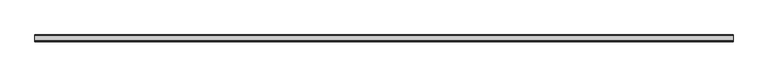
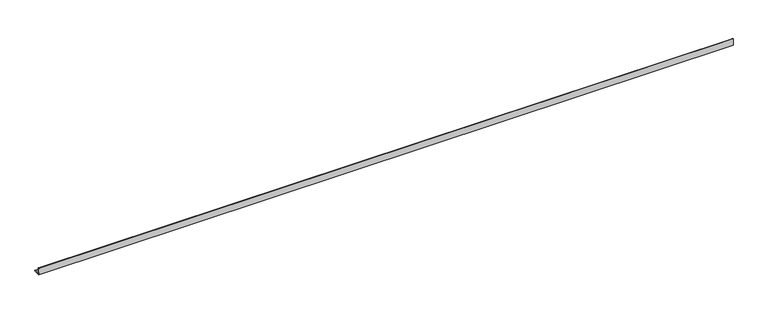
"""IFC4 building model written with IfcOpenShell, lengths in millimetres: beam geometry."""

from ifc_helpers import new_model, si_unit, point, frame, frame_2d, origin, place, context, project, spatial, polyline, circle_curve, trimmed, segment, composite_curve, outline, extrude, source, transform, mapped, element, save


def beam_c82ed76b(model_context):
    return source(origin(), model_context, "Body", "SweptSolid", [
        extrude(outline(composite_curve([segment(polyline([(-21.3, -21.3), (-21.3, 53.7), (-18.3, 53.7)]), True, "CONTINUOUS"), segment(trimmed(circle_curve(frame_2d((-18.3, 48.7)), 5.0), [point((-18.3, 53.7))], [point((-13.3, 48.7))], False, "CARTESIAN"), True, "CONTINUOUS"), segment(polyline([(-13.3, 48.7), (-13.3, -5.3)]), True, "CONTINUOUS"), segment(trimmed(circle_curve(frame_2d((-5.3, -5.3)), 8.0), [point((-13.3, -5.3))], [point((-5.3, -13.3))], True, "CARTESIAN"), True, "CONTINUOUS"), segment(polyline([(-5.3, -13.3), (48.7, -13.3)]), True, "CONTINUOUS"), segment(trimmed(circle_curve(frame_2d((48.7, -18.3)), 5.0), [point((48.7, -13.3))], [point((53.7, -18.3))], False, "CARTESIAN"), True, "CONTINUOUS"), segment(polyline([(53.7, -18.3), (53.7, -21.3), (-21.3, -21.3)]), True, "CONTINUOUS")], self_intersect=False)), frame((-3851.0, 0.0, 0.0), z_axis=(1.0, 0.0, 0.0), x_axis=(0.0, 1.0, 0.0)), (0.0, 0.0, 1.0), 7680.0),
    ])


if __name__ == "__main__":
    model = new_model("IFC4")
    model_context = context("Model", 3, world=origin())
    ifc_project = project(units=[si_unit("LENGTHUNIT", "METRE", prefix="MILLI")], contexts=[model_context])
    site = spatial("IfcSite", under=ifc_project)
    building = spatial("IfcBuilding", under=site)
    placement = place(None, origin())
    beam_shape = beam_c82ed76b(model_context)
    element("IfcBeam", 1, at=placement, inside=building, context=model_context, shape_type="MappedRepresentation", body=[
        mapped(beam_shape, transform((0.0, 0.0, 0.0), x_axis=(1.0, 0.0, 0.0), y_axis=(0.0, 1.0, 0.0), z_axis=(0.0, 0.0, 1.0))),
    ])
    save(model, "model.ifc")
